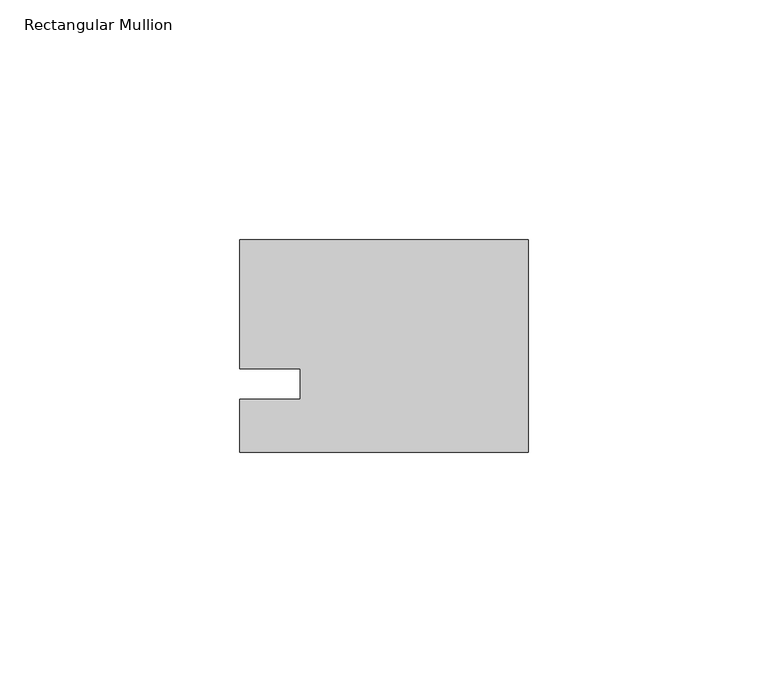
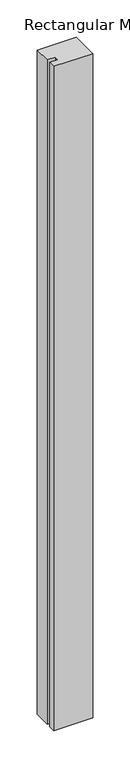
"""IFC4 building model written with IfcOpenShell, lengths in millimetres: member geometry, Rectangular Mullion."""

from ifc_helpers import new_model, si_unit, frame, origin, place, context, project, spatial, polyline, outline, extrude, source, transform, mapped, element, save


def rectangular_mullion_19b4081d(model_context):
    return source(origin(), model_context, "Body", "SweptSolid", [
        extrude(outline(polyline([(-60.325, 30.1625), (0.0, 30.1625), (0.0, -14.2875), (-60.325, -14.2875), (-60.325, -3.175), (-47.6232296, -3.175), (-47.6232296, 3.175), (-60.325, 3.175), (-60.325, 30.1625)])), frame((0.0, 0.0, -1091.0405973), z_axis=(0.0, 0.0, 1.0), x_axis=(1.0, 0.0, 0.0)), (0.0, 0.0, 1.0), 1091.0405973),
    ])


if __name__ == "__main__":
    model = new_model("IFC4")
    model_context = context("Model", 3, world=origin())
    ifc_project = project(units=[si_unit("LENGTHUNIT", "METRE", prefix="MILLI")], contexts=[model_context])
    site = spatial("IfcSite", under=ifc_project)
    building = spatial("IfcBuilding", under=site)
    placement = place(None, origin())
    rectangular_mullion_shape = rectangular_mullion_19b4081d(model_context)
    element("IfcMember", 1, ObjectType="Rectangular Mullion", at=placement, inside=building, context=model_context, shape_type="MappedRepresentation", body=[
        mapped(rectangular_mullion_shape, transform((0.0, 0.0, 0.0), x_axis=(1.0, 0.0, 0.0), y_axis=(0.0, 1.0, 0.0), z_axis=(0.0, 0.0, 1.0))),
    ])
    save(model, "model.ifc")
